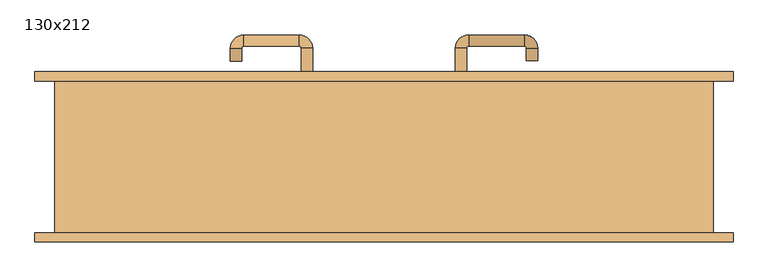
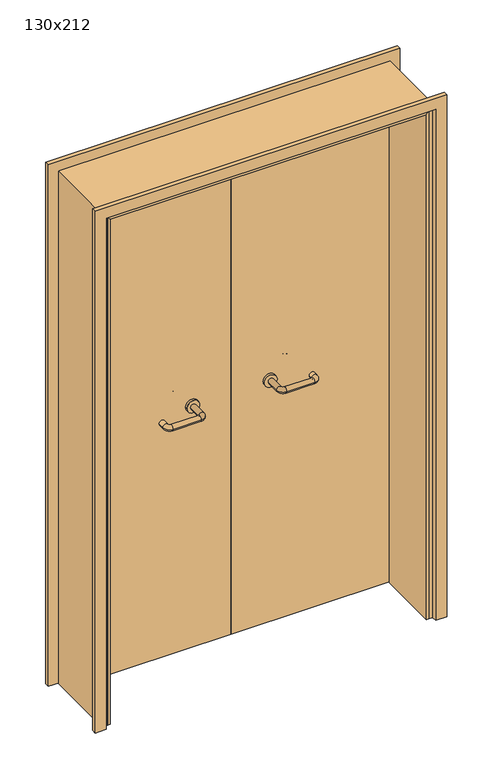
"""IFC4 building model written with IfcOpenShell, lengths in millimetres: door geometry, 130x212."""

from ifc_helpers import new_model, si_unit, point, frame, frame_2d, origin, place, context, project, spatial, polyline, circle_curve, ellipse_curve, trimmed, segment, composite_curve, outline, extrude, faceted_brep, source, transform, mapped, element, save
from ifc_brep_helpers import plane_surface, cylinder_surface, revolved_surface, advanced_brep


def door_130x212_32e1b532(model_context):
    return source(origin(), model_context, "Body", "SolidModel", [
        faceted_brep([(-620.0, 103.0, 0.0), (-620.0, -149.0, 0.0), (-630.0, -149.0, 0.0), (-630.0, 103.0, 0.0), (-620.0, 103.0, 2090.0), (-620.0, -149.0, 2090.0), (-630.0, -149.0, 2100.0), (-630.0, 103.0, 2100.0), (620.0, 103.0, 0.0), (630.0, 103.0, 0.0), (630.0, -149.0, 0.0), (620.0, -149.0, 0.0), (620.0, 103.0, 2090.0), (630.0, 103.0, 2100.0), (630.0, -149.0, 2100.0), (620.0, -149.0, 2090.0)], [[[0, 1, 2, 3]], [[1, 0, 4, 5]], [[2, 1, 5, 6]], [[3, 2, 6, 7]], [[0, 3, 7, 4]], [[8, 9, 10, 11]], [[12, 13, 9, 8]], [[13, 14, 10, 9]], [[14, 15, 11, 10]], [[15, 12, 8, 11]], [[5, 4, 12, 15]], [[6, 5, 15, 14]], [[7, 6, 14, 13]], [[4, 7, 13, 12]]]),
        extrude(outline(polyline([(2159.0, 689.0), (2159.0, -689.0), (0.0, -689.0), (0.0, -645.0), (2115.0, -645.0), (2115.0, 645.0), (0.0, 645.0), (0.0, 689.0), (2159.0, 689.0)])), frame((0.0, 150.0, 0.0), z_axis=(0.0, 1.0, 0.0), x_axis=(0.0, 0.0, 1.0)), (0.0, 0.0, 1.0), 18.0),
        extrude(outline(polyline([(2159.0, -689.0), (0.0, -689.0), (0.0, -645.0), (2115.0, -645.0), (2115.0, 645.0), (0.0, 645.0), (0.0, 689.0), (2159.0, 689.0), (2159.0, -689.0)])), frame((0.0, -168.0, 0.0), z_axis=(0.0, 1.0, 0.0), x_axis=(0.0, 0.0, 1.0)), (0.0, 0.0, 1.0), 18.0),
        extrude(outline(polyline([(2120.0, -650.0), (0.0, -650.0), (0.0, -630.0), (2100.0, -630.0), (2100.0, 630.0), (0.0, 630.0), (0.0, 650.0), (2120.0, 650.0), (2120.0, -650.0)])), frame((0.0, -149.0, 0.0), z_axis=(0.0, 1.0, 0.0), x_axis=(0.0, 0.0, 1.0)), (0.0, 0.0, 1.0), 299.0),
        advanced_brep(
        [(140.99898, 96.0, 1003.0), (162.99898, 96.0, 1003.0), (140.99898, 40.6474631, 1003.0), (162.99898, 40.6474631, 1003.0), (166.99898, 36.6474631, 1003.0), (166.99898, 14.6474631, 1003.0), (276.99898, 14.6474631, 1003.0), (276.99898, 36.6474631, 1003.0), (280.99898, 40.6474631, 1003.0), (302.99898, 40.6474631, 1003.0), (302.99898, 58.0, 1003.0), (280.99898, 58.0, 1003.0)],
        [
            (0, 1, circle_curve(frame((151.99898, 96.0, 1003.0), z_axis=(0.0, 1.0, 0.0), x_axis=(1.0, 0.0, 0.0)), 11.0)),
            (1, 0, circle_curve(frame((151.99898, 96.0, 1003.0), z_axis=(0.0, 1.0, 0.0), x_axis=(1.0, 0.0, 0.0)), 11.0)),
            (0, 2),
            (2, 3, circle_curve(frame((151.99898, 40.6474631, 1003.0), z_axis=(0.0, 1.0, 0.0), x_axis=(1.0, 0.0, 0.0)), 11.0)),
            (3, 1),
            (3, 2, circle_curve(frame((151.99898, 40.6474631, 1003.0), z_axis=(0.0, 1.0, 0.0), x_axis=(1.0, 0.0, 0.0)), 11.0)),
            (4, 3, circle_curve(frame((166.99898, 40.6474631, 1003.0), z_axis=(0.0, 0.0, -1.0), x_axis=(-1.0, 0.0, 0.0)), 4.0)),
            (2, 5, circle_curve(frame((166.99898, 40.6474631, 1003.0), z_axis=(0.0, 0.0, 1.0), x_axis=(-1.0, 0.0, 0.0)), 26.0)),
            (5, 4, circle_curve(frame((166.99898, 25.6474631, 1003.0), z_axis=(-1.0, 0.0, 0.0), x_axis=(0.0, 1.0, 0.0)), 11.0)),
            (4, 5, circle_curve(frame((166.99898, 25.6474631, 1003.0), z_axis=(-1.0, 0.0, 0.0), x_axis=(0.0, 1.0, 0.0)), 11.0)),
            (5, 6),
            (6, 7, circle_curve(frame((276.99898, 25.6474631, 1003.0), z_axis=(-1.0, 0.0, 0.0), x_axis=(0.0, 1.0, 0.0)), 11.0)),
            (7, 4),
            (7, 6, circle_curve(frame((276.99898, 25.6474631, 1003.0), z_axis=(-1.0, 0.0, 0.0), x_axis=(0.0, 1.0, 0.0)), 11.0)),
            (8, 7, circle_curve(frame((276.99898, 40.6474631, 1003.0), z_axis=(0.0, 0.0, -1.0), x_axis=(0.0, -1.0, 0.0)), 4.0)),
            (6, 9, circle_curve(frame((276.99898, 40.6474631, 1003.0), z_axis=(0.0, 0.0, 1.0), x_axis=(0.0, -1.0, 0.0)), 26.0)),
            (9, 8, circle_curve(frame((291.99898, 40.6474631, 1003.0), z_axis=(0.0, -1.0, 0.0), x_axis=(-1.0, 0.0, 0.0)), 11.0)),
            (8, 9, circle_curve(frame((291.99898, 40.6474631, 1003.0), z_axis=(0.0, -1.0, 0.0), x_axis=(-1.0, 0.0, 0.0)), 11.0)),
            (10, 11, circle_curve(frame((291.99898, 58.0, 1003.0), z_axis=(0.0, 1.0, 0.0), x_axis=(-1.0, 0.0, 0.0)), 11.0)),
            (11, 10, circle_curve(frame((291.99898, 58.0, 1003.0), z_axis=(0.0, 1.0, 0.0), x_axis=(-1.0, 0.0, 0.0)), 11.0)),
            (9, 10),
            (11, 8),
        ],
        [
            plane_surface(frame((140.99898, 96.0, 1003.0), z_axis=(0.0, 1.0, 0.0), x_axis=(0.0, 0.0, -1.0))),
            cylinder_surface(frame((151.99898, 96.0, 1003.0), z_axis=(0.0, 1.0, 0.0), x_axis=(1.0, 0.0, 0.0)), 11.0),
            revolved_surface(trimmed(ellipse_curve(frame((151.99898, 40.6474631, 1003.0), z_axis=(0.0, 1.0, 0.0), x_axis=(1.0, 0.0, 0.0)), 11.0, 11.0), [point((140.99898, 40.6474631, 1003.0))], [point((162.99898, 40.6474631, 1003.0))], True, "CARTESIAN"), (166.99898, 40.6474631, 1003.0), (0.0, 0.0, 1.0)),
            revolved_surface(trimmed(ellipse_curve(frame((151.99898, 40.6474631, 1003.0), z_axis=(0.0, 1.0, 0.0), x_axis=(1.0, 0.0, 0.0)), 11.0, 11.0), [point((162.99898, 40.6474631, 1003.0))], [point((140.99898, 40.6474631, 1003.0))], True, "CARTESIAN"), (166.99898, 40.6474631, 1003.0), (0.0, 0.0, 1.0)),
            cylinder_surface(frame((166.99898, 25.6474631, 1003.0), z_axis=(-1.0, 0.0, 0.0), x_axis=(0.0, 1.0, 0.0)), 11.0),
            revolved_surface(trimmed(ellipse_curve(frame((276.99898, 25.6474631, 1003.0), z_axis=(-1.0, 0.0, 0.0), x_axis=(0.0, 1.0, 0.0)), 11.0, 11.0), [point((276.99898, 14.6474631, 1003.0))], [point((276.99898, 36.6474631, 1003.0))], True, "CARTESIAN"), (276.99898, 40.6474631, 1003.0), (0.0, 0.0, 1.0)),
            revolved_surface(trimmed(ellipse_curve(frame((276.99898, 25.6474631, 1003.0), z_axis=(-1.0, 0.0, 0.0), x_axis=(0.0, 1.0, 0.0)), 11.0, 11.0), [point((276.99898, 36.6474631, 1003.0))], [point((276.99898, 14.6474631, 1003.0))], True, "CARTESIAN"), (276.99898, 40.6474631, 1003.0), (0.0, 0.0, 1.0)),
            plane_surface(frame((280.99898, 58.0, 1003.0), z_axis=(0.0, 1.0, 0.0), x_axis=(0.0, 0.0, 1.0))),
            cylinder_surface(frame((291.99898, 40.6474631, 1003.0), z_axis=(0.0, -1.0, 0.0), x_axis=(-1.0, 0.0, 0.0)), 11.0),
        ],
        [
            (0, [[1, 2]]),
            (1, [[-1, 3, 4, 5]]),
            (1, [[-2, -5, 6, -3]]),
            (2, [[7, -4, 8, 9]]),
            (3, [[-8, -6, -7, 10]]),
            (4, [[-9, 11, 12, 13]]),
            (4, [[-10, -13, 14, -11]]),
            (5, [[15, -12, 16, 17]]),
            (6, [[-16, -14, -15, 18]]),
            (7, [[19, 20]]),
            (8, [[-17, 21, -20, 22]]),
            (8, [[-18, -22, -19, -21]]),
        ],
    ),
        extrude(outline(composite_curve([segment(trimmed(circle_curve(frame_2d((1003.0, 151.99898)), 25.0), [point((1003.0, 126.99898))], [point((1003.0, 176.99898))], False, "CARTESIAN"), True, "CONTINUOUS"), segment(trimmed(circle_curve(frame_2d((1003.0, 151.99898)), 25.0), [point((1003.0, 176.99898))], [point((1003.0, 126.99898))], False, "CARTESIAN"), True, "CONTINUOUS")], self_intersect=False)), frame((0.0, 96.0, 0.0), z_axis=(0.0, 1.0, 0.0), x_axis=(0.0, 0.0, 1.0)), (0.0, 0.0, 1.0), 10.0),
        advanced_brep(
        [(162.99898, 160.0, 1003.0), (140.99898, 160.0, 1003.0), (162.99898, 215.0, 1003.0), (140.99898, 215.0, 1003.0), (166.99898, 241.0, 1003.0), (166.99898, 219.0, 1003.0), (276.99898, 219.0, 1003.0), (276.99898, 241.0, 1003.0), (302.99898, 215.0, 1003.0), (280.99898, 215.0, 1003.0), (280.99898, 190.0, 1003.0), (302.99898, 190.0, 1003.0)],
        [
            (0, 1, circle_curve(frame((151.99898, 160.0, 1003.0), z_axis=(0.0, -1.0, 0.0), x_axis=(-1.0, 0.0, 0.0)), 11.0)),
            (1, 0, circle_curve(frame((151.99898, 160.0, 1003.0), z_axis=(0.0, -1.0, 0.0), x_axis=(-1.0, 0.0, 0.0)), 11.0)),
            (0, 2),
            (2, 3, circle_curve(frame((151.99898, 215.0, 1003.0), z_axis=(0.0, -1.0, 0.0), x_axis=(-1.0, 0.0, 0.0)), 11.0)),
            (3, 1),
            (3, 2, circle_curve(frame((151.99898, 215.0, 1003.0), z_axis=(0.0, -1.0, 0.0), x_axis=(-1.0, 0.0, 0.0)), 11.0)),
            (4, 3, circle_curve(frame((166.99898, 215.0, 1003.0), z_axis=(0.0, 0.0, 1.0), x_axis=(-1.0, 0.0, 0.0)), 26.0)),
            (2, 5, circle_curve(frame((166.99898, 215.0, 1003.0), z_axis=(0.0, 0.0, -1.0), x_axis=(-1.0, 0.0, 0.0)), 4.0)),
            (5, 4, circle_curve(frame((166.99898, 230.0, 1003.0), z_axis=(-1.0, 0.0, 0.0), x_axis=(0.0, 1.0, 0.0)), 11.0)),
            (4, 5, circle_curve(frame((166.99898, 230.0, 1003.0), z_axis=(-1.0, 0.0, 0.0), x_axis=(0.0, 1.0, 0.0)), 11.0)),
            (5, 6),
            (6, 7, circle_curve(frame((276.99898, 230.0, 1003.0), z_axis=(-1.0, 0.0, 0.0), x_axis=(0.0, 1.0, 0.0)), 11.0)),
            (7, 4),
            (7, 6, circle_curve(frame((276.99898, 230.0, 1003.0), z_axis=(-1.0, 0.0, 0.0), x_axis=(0.0, 1.0, 0.0)), 11.0)),
            (8, 7, circle_curve(frame((276.99898, 215.0, 1003.0), z_axis=(0.0, 0.0, 1.0), x_axis=(0.0, 1.0, 0.0)), 26.0)),
            (6, 9, circle_curve(frame((276.99898, 215.0, 1003.0), z_axis=(0.0, 0.0, -1.0), x_axis=(0.0, 1.0, 0.0)), 4.0)),
            (9, 8, circle_curve(frame((291.99898, 215.0, 1003.0), z_axis=(0.0, 1.0, 0.0), x_axis=(1.0, 0.0, 0.0)), 11.0)),
            (8, 9, circle_curve(frame((291.99898, 215.0, 1003.0), z_axis=(0.0, 1.0, 0.0), x_axis=(1.0, 0.0, 0.0)), 11.0)),
            (10, 11, circle_curve(frame((291.99898, 190.0, 1003.0), z_axis=(0.0, -1.0, 0.0), x_axis=(1.0, 0.0, 0.0)), 11.0)),
            (11, 10, circle_curve(frame((291.99898, 190.0, 1003.0), z_axis=(0.0, -1.0, 0.0), x_axis=(1.0, 0.0, 0.0)), 11.0)),
            (9, 10),
            (11, 8),
        ],
        [
            plane_surface(frame((140.99898, 160.0, 1003.0), z_axis=(0.0, -1.0, 0.0), x_axis=(0.0, 0.0, 1.0))),
            cylinder_surface(frame((151.99898, 160.0, 1003.0), z_axis=(0.0, -1.0, 0.0), x_axis=(-1.0, 0.0, 0.0)), 11.0),
            revolved_surface(trimmed(ellipse_curve(frame((151.99898, 215.0, 1003.0), z_axis=(0.0, -1.0, 0.0), x_axis=(-1.0, 0.0, 0.0)), 11.0, 11.0), [point((162.99898, 215.0, 1003.0))], [point((140.99898, 215.0, 1003.0))], True, "CARTESIAN"), (166.99898, 215.0, 1003.0), (0.0, 0.0, -1.0)),
            revolved_surface(trimmed(ellipse_curve(frame((151.99898, 215.0, 1003.0), z_axis=(0.0, -1.0, 0.0), x_axis=(-1.0, 0.0, 0.0)), 11.0, 11.0), [point((140.99898, 215.0, 1003.0))], [point((162.99898, 215.0, 1003.0))], True, "CARTESIAN"), (166.99898, 215.0, 1003.0), (0.0, 0.0, -1.0)),
            cylinder_surface(frame((166.99898, 230.0, 1003.0), z_axis=(-1.0, 0.0, 0.0), x_axis=(0.0, 1.0, 0.0)), 11.0),
            revolved_surface(trimmed(ellipse_curve(frame((276.99898, 230.0, 1003.0), z_axis=(-1.0, 0.0, 0.0), x_axis=(0.0, 1.0, 0.0)), 11.0, 11.0), [point((276.99898, 219.0, 1003.0))], [point((276.99898, 241.0, 1003.0))], True, "CARTESIAN"), (276.99898, 215.0, 1003.0), (0.0, 0.0, -1.0)),
            revolved_surface(trimmed(ellipse_curve(frame((276.99898, 230.0, 1003.0), z_axis=(-1.0, 0.0, 0.0), x_axis=(0.0, 1.0, 0.0)), 11.0, 11.0), [point((276.99898, 241.0, 1003.0))], [point((276.99898, 219.0, 1003.0))], True, "CARTESIAN"), (276.99898, 215.0, 1003.0), (0.0, 0.0, -1.0)),
            plane_surface(frame((280.99898, 190.0, 1003.0), z_axis=(0.0, -1.0, 0.0), x_axis=(0.0, 0.0, -1.0))),
            cylinder_surface(frame((291.99898, 215.0, 1003.0), z_axis=(0.0, 1.0, 0.0), x_axis=(1.0, 0.0, 0.0)), 11.0),
        ],
        [
            (0, [[1, 2]]),
            (1, [[-1, 3, 4, 5]]),
            (1, [[-2, -5, 6, -3]]),
            (2, [[7, -4, 8, 9]]),
            (3, [[-8, -6, -7, 10]]),
            (4, [[-9, 11, 12, 13]]),
            (4, [[-10, -13, 14, -11]]),
            (5, [[15, -12, 16, 17]]),
            (6, [[-16, -14, -15, 18]]),
            (7, [[19, 20]]),
            (8, [[-17, 21, -20, 22]]),
            (8, [[-18, -22, -19, -21]]),
        ],
    ),
        extrude(outline(composite_curve([segment(trimmed(circle_curve(frame_2d((1003.0, 151.99898)), 25.0), [point((1003.0, 176.99898))], [point((1003.0, 126.99898))], False, "CARTESIAN"), True, "CONTINUOUS"), segment(trimmed(circle_curve(frame_2d((1003.0, 151.99898)), 25.0), [point((1003.0, 126.99898))], [point((1003.0, 176.99898))], False, "CARTESIAN"), True, "CONTINUOUS")], self_intersect=False)), frame((0.0, 150.0, 0.0), z_axis=(0.0, 1.0, 0.0), x_axis=(0.0, 0.0, 1.0)), (0.0, 0.0, 1.0), 10.0),
        advanced_brep(
        [(-162.99898, 95.6886121, 1003.0), (-140.99898, 95.6886121, 1003.0), (-162.99898, 40.2779553, 1003.0), (-140.99898, 40.2779553, 1003.0), (-166.99898, 14.2779553, 1003.0), (-166.99898, 36.2779553, 1003.0), (-276.99898, 36.2779553, 1003.0), (-276.99898, 14.2779553, 1003.0), (-302.99898, 40.2779553, 1003.0), (-280.99898, 40.2779553, 1003.0), (-280.99898, 65.2779553, 1003.0), (-302.99898, 65.2779553, 1003.0)],
        [
            (0, 1, circle_curve(frame((-151.99898, 95.6886121, 1003.0), z_axis=(0.0, 1.0, 0.0), x_axis=(1.0, 0.0, 0.0)), 11.0)),
            (1, 0, circle_curve(frame((-151.99898, 95.6886121, 1003.0), z_axis=(0.0, 1.0, 0.0), x_axis=(1.0, 0.0, 0.0)), 11.0)),
            (0, 2),
            (2, 3, circle_curve(frame((-151.99898, 40.2779553, 1003.0), z_axis=(0.0, 1.0, 0.0), x_axis=(1.0, 0.0, 0.0)), 11.0)),
            (3, 1),
            (3, 2, circle_curve(frame((-151.99898, 40.2779553, 1003.0), z_axis=(0.0, 1.0, 0.0), x_axis=(1.0, 0.0, 0.0)), 11.0)),
            (4, 3, circle_curve(frame((-166.99898, 40.2779553, 1003.0), z_axis=(0.0, 0.0, 1.0), x_axis=(1.0, 0.0, 0.0)), 26.0)),
            (2, 5, circle_curve(frame((-166.99898, 40.2779553, 1003.0), z_axis=(0.0, 0.0, -1.0), x_axis=(1.0, 0.0, 0.0)), 4.0)),
            (5, 4, circle_curve(frame((-166.99898, 25.2779553, 1003.0), z_axis=(1.0, 0.0, 0.0), x_axis=(0.0, -1.0, 0.0)), 11.0)),
            (4, 5, circle_curve(frame((-166.99898, 25.2779553, 1003.0), z_axis=(1.0, 0.0, 0.0), x_axis=(0.0, -1.0, 0.0)), 11.0)),
            (5, 6),
            (6, 7, circle_curve(frame((-276.99898, 25.2779553, 1003.0), z_axis=(1.0, 0.0, 0.0), x_axis=(0.0, -1.0, 0.0)), 11.0)),
            (7, 4),
            (7, 6, circle_curve(frame((-276.99898, 25.2779553, 1003.0), z_axis=(1.0, 0.0, 0.0), x_axis=(0.0, -1.0, 0.0)), 11.0)),
            (8, 7, circle_curve(frame((-276.99898, 40.2779553, 1003.0), z_axis=(0.0, 0.0, 1.0), x_axis=(0.0, -1.0, 0.0)), 26.0)),
            (6, 9, circle_curve(frame((-276.99898, 40.2779553, 1003.0), z_axis=(0.0, 0.0, -1.0), x_axis=(0.0, -1.0, 0.0)), 4.0)),
            (9, 8, circle_curve(frame((-291.99898, 40.2779553, 1003.0), z_axis=(0.0, -1.0, 0.0), x_axis=(-1.0, 0.0, 0.0)), 11.0)),
            (8, 9, circle_curve(frame((-291.99898, 40.2779553, 1003.0), z_axis=(0.0, -1.0, 0.0), x_axis=(-1.0, 0.0, 0.0)), 11.0)),
            (10, 11, circle_curve(frame((-291.99898, 65.2779553, 1003.0), z_axis=(0.0, 1.0, 0.0), x_axis=(-1.0, 0.0, 0.0)), 11.0)),
            (11, 10, circle_curve(frame((-291.99898, 65.2779553, 1003.0), z_axis=(0.0, 1.0, 0.0), x_axis=(-1.0, 0.0, 0.0)), 11.0)),
            (9, 10),
            (11, 8),
        ],
        [
            plane_surface(frame((-162.99898, 95.6886121, 1003.0), z_axis=(0.0, 1.0, 0.0), x_axis=(0.0, 0.0, -1.0))),
            cylinder_surface(frame((-151.99898, 95.6886121, 1003.0), z_axis=(0.0, 1.0, 0.0), x_axis=(1.0, 0.0, 0.0)), 11.0),
            revolved_surface(trimmed(ellipse_curve(frame((-151.99898, 40.2779553, 1003.0), z_axis=(0.0, 1.0, 0.0), x_axis=(1.0, 0.0, 0.0)), 11.0, 11.0), [point((-162.99898, 40.2779553, 1003.0))], [point((-140.99898, 40.2779553, 1003.0))], True, "CARTESIAN"), (-166.99898, 40.2779553, 1003.0), (0.0, 0.0, -1.0)),
            revolved_surface(trimmed(ellipse_curve(frame((-151.99898, 40.2779553, 1003.0), z_axis=(0.0, 1.0, 0.0), x_axis=(1.0, 0.0, 0.0)), 11.0, 11.0), [point((-140.99898, 40.2779553, 1003.0))], [point((-162.99898, 40.2779553, 1003.0))], True, "CARTESIAN"), (-166.99898, 40.2779553, 1003.0), (0.0, 0.0, -1.0)),
            cylinder_surface(frame((-166.99898, 25.2779553, 1003.0), z_axis=(1.0, 0.0, 0.0), x_axis=(0.0, -1.0, 0.0)), 11.0),
            revolved_surface(trimmed(ellipse_curve(frame((-276.99898, 25.2779553, 1003.0), z_axis=(1.0, 0.0, 0.0), x_axis=(0.0, -1.0, 0.0)), 11.0, 11.0), [point((-276.99898, 36.2779553, 1003.0))], [point((-276.99898, 14.2779553, 1003.0))], True, "CARTESIAN"), (-276.99898, 40.2779553, 1003.0), (0.0, 0.0, -1.0)),
            revolved_surface(trimmed(ellipse_curve(frame((-276.99898, 25.2779553, 1003.0), z_axis=(1.0, 0.0, 0.0), x_axis=(0.0, -1.0, 0.0)), 11.0, 11.0), [point((-276.99898, 14.2779553, 1003.0))], [point((-276.99898, 36.2779553, 1003.0))], True, "CARTESIAN"), (-276.99898, 40.2779553, 1003.0), (0.0, 0.0, -1.0)),
            plane_surface(frame((-302.99898, 65.2779553, 1003.0), z_axis=(0.0, 1.0, 0.0), x_axis=(0.0, 0.0, 1.0))),
            cylinder_surface(frame((-291.99898, 40.2779553, 1003.0), z_axis=(0.0, -1.0, 0.0), x_axis=(-1.0, 0.0, 0.0)), 11.0),
        ],
        [
            (0, [[1, 2]]),
            (1, [[-1, 3, 4, 5]]),
            (1, [[-2, -5, 6, -3]]),
            (2, [[7, -4, 8, 9]]),
            (3, [[-8, -6, -7, 10]]),
            (4, [[-9, 11, 12, 13]]),
            (4, [[-10, -13, 14, -11]]),
            (5, [[15, -12, 16, 17]]),
            (6, [[-16, -14, -15, 18]]),
            (7, [[19, 20]]),
            (8, [[-17, 21, -20, 22]]),
            (8, [[-18, -22, -19, -21]]),
        ],
    ),
        extrude(outline(composite_curve([segment(trimmed(circle_curve(frame_2d((1003.0, -151.99898)), 25.0), [point((1003.0, -176.99898))], [point((1003.0, -126.99898))], False, "CARTESIAN"), True, "CONTINUOUS"), segment(trimmed(circle_curve(frame_2d((1003.0, -151.99898)), 25.0), [point((1003.0, -126.99898))], [point((1003.0, -176.99898))], False, "CARTESIAN"), True, "CONTINUOUS")], self_intersect=False)), frame((0.0, 95.6886121, 0.0), z_axis=(0.0, 1.0, 0.0), x_axis=(0.0, 0.0, 1.0)), (0.0, 0.0, 1.0), 10.3113879),
        advanced_brep(
        [(-140.99898, 159.5143417, 1003.0), (-162.99898, 159.5143417, 1003.0), (-140.99898, 214.6104656, 1003.0), (-162.99898, 214.6104656, 1003.0), (-166.99898, 218.6104656, 1003.0), (-166.99898, 240.6104656, 1003.0), (-276.99898, 240.6104656, 1003.0), (-276.99898, 218.6104656, 1003.0), (-280.99898, 214.6104656, 1003.0), (-302.99898, 214.6104656, 1003.0), (-302.99898, 189.6104656, 1003.0), (-280.99898, 189.6104656, 1003.0)],
        [
            (0, 1, circle_curve(frame((-151.99898, 159.5143417, 1003.0), z_axis=(0.0, -1.0, 0.0), x_axis=(-1.0, 0.0, 0.0)), 11.0)),
            (1, 0, circle_curve(frame((-151.99898, 159.5143417, 1003.0), z_axis=(0.0, -1.0, 0.0), x_axis=(-1.0, 0.0, 0.0)), 11.0)),
            (0, 2),
            (2, 3, circle_curve(frame((-151.99898, 214.6104656, 1003.0), z_axis=(0.0, -1.0, 0.0), x_axis=(-1.0, 0.0, 0.0)), 11.0)),
            (3, 1),
            (3, 2, circle_curve(frame((-151.99898, 214.6104656, 1003.0), z_axis=(0.0, -1.0, 0.0), x_axis=(-1.0, 0.0, 0.0)), 11.0)),
            (4, 3, circle_curve(frame((-166.99898, 214.6104656, 1003.0), z_axis=(0.0, 0.0, -1.0), x_axis=(1.0, 0.0, 0.0)), 4.0)),
            (2, 5, circle_curve(frame((-166.99898, 214.6104656, 1003.0), z_axis=(0.0, 0.0, 1.0), x_axis=(1.0, 0.0, 0.0)), 26.0)),
            (5, 4, circle_curve(frame((-166.99898, 229.6104656, 1003.0), z_axis=(1.0, 0.0, 0.0), x_axis=(0.0, -1.0, 0.0)), 11.0)),
            (4, 5, circle_curve(frame((-166.99898, 229.6104656, 1003.0), z_axis=(1.0, 0.0, 0.0), x_axis=(0.0, -1.0, 0.0)), 11.0)),
            (5, 6),
            (6, 7, circle_curve(frame((-276.99898, 229.6104656, 1003.0), z_axis=(1.0, 0.0, 0.0), x_axis=(0.0, -1.0, 0.0)), 11.0)),
            (7, 4),
            (7, 6, circle_curve(frame((-276.99898, 229.6104656, 1003.0), z_axis=(1.0, 0.0, 0.0), x_axis=(0.0, -1.0, 0.0)), 11.0)),
            (8, 7, circle_curve(frame((-276.99898, 214.6104656, 1003.0), z_axis=(0.0, 0.0, -1.0), x_axis=(0.0, 1.0, 0.0)), 4.0)),
            (6, 9, circle_curve(frame((-276.99898, 214.6104656, 1003.0), z_axis=(0.0, 0.0, 1.0), x_axis=(0.0, 1.0, 0.0)), 26.0)),
            (9, 8, circle_curve(frame((-291.99898, 214.6104656, 1003.0), z_axis=(0.0, 1.0, 0.0), x_axis=(1.0, 0.0, 0.0)), 11.0)),
            (8, 9, circle_curve(frame((-291.99898, 214.6104656, 1003.0), z_axis=(0.0, 1.0, 0.0), x_axis=(1.0, 0.0, 0.0)), 11.0)),
            (10, 11, circle_curve(frame((-291.99898, 189.6104656, 1003.0), z_axis=(0.0, -1.0, 0.0), x_axis=(1.0, 0.0, 0.0)), 11.0)),
            (11, 10, circle_curve(frame((-291.99898, 189.6104656, 1003.0), z_axis=(0.0, -1.0, 0.0), x_axis=(1.0, 0.0, 0.0)), 11.0)),
            (9, 10),
            (11, 8),
        ],
        [
            plane_surface(frame((-162.99898, 159.5143417, 1003.0), z_axis=(0.0, -1.0, 0.0), x_axis=(0.0, 0.0, 1.0))),
            cylinder_surface(frame((-151.99898, 159.5143417, 1003.0), z_axis=(0.0, -1.0, 0.0), x_axis=(-1.0, 0.0, 0.0)), 11.0),
            revolved_surface(trimmed(ellipse_curve(frame((-151.99898, 214.6104656, 1003.0), z_axis=(0.0, -1.0, 0.0), x_axis=(-1.0, 0.0, 0.0)), 11.0, 11.0), [point((-140.99898, 214.6104656, 1003.0))], [point((-162.99898, 214.6104656, 1003.0))], True, "CARTESIAN"), (-166.99898, 214.6104656, 1003.0), (0.0, 0.0, 1.0)),
            revolved_surface(trimmed(ellipse_curve(frame((-151.99898, 214.6104656, 1003.0), z_axis=(0.0, -1.0, 0.0), x_axis=(-1.0, 0.0, 0.0)), 11.0, 11.0), [point((-162.99898, 214.6104656, 1003.0))], [point((-140.99898, 214.6104656, 1003.0))], True, "CARTESIAN"), (-166.99898, 214.6104656, 1003.0), (0.0, 0.0, 1.0)),
            cylinder_surface(frame((-166.99898, 229.6104656, 1003.0), z_axis=(1.0, 0.0, 0.0), x_axis=(0.0, -1.0, 0.0)), 11.0),
            revolved_surface(trimmed(ellipse_curve(frame((-276.99898, 229.6104656, 1003.0), z_axis=(1.0, 0.0, 0.0), x_axis=(0.0, -1.0, 0.0)), 11.0, 11.0), [point((-276.99898, 240.6104656, 1003.0))], [point((-276.99898, 218.6104656, 1003.0))], True, "CARTESIAN"), (-276.99898, 214.6104656, 1003.0), (0.0, 0.0, 1.0)),
            revolved_surface(trimmed(ellipse_curve(frame((-276.99898, 229.6104656, 1003.0), z_axis=(1.0, 0.0, 0.0), x_axis=(0.0, -1.0, 0.0)), 11.0, 11.0), [point((-276.99898, 218.6104656, 1003.0))], [point((-276.99898, 240.6104656, 1003.0))], True, "CARTESIAN"), (-276.99898, 214.6104656, 1003.0), (0.0, 0.0, 1.0)),
            plane_surface(frame((-302.99898, 189.6104656, 1003.0), z_axis=(0.0, -1.0, 0.0), x_axis=(0.0, 0.0, -1.0))),
            cylinder_surface(frame((-291.99898, 214.6104656, 1003.0), z_axis=(0.0, 1.0, 0.0), x_axis=(1.0, 0.0, 0.0)), 11.0),
        ],
        [
            (0, [[1, 2]]),
            (1, [[-1, 3, 4, 5]]),
            (1, [[-2, -5, 6, -3]]),
            (2, [[7, -4, 8, 9]]),
            (3, [[-8, -6, -7, 10]]),
            (4, [[-9, 11, 12, 13]]),
            (4, [[-10, -13, 14, -11]]),
            (5, [[15, -12, 16, 17]]),
            (6, [[-16, -14, -15, 18]]),
            (7, [[19, 20]]),
            (8, [[-17, 21, -20, 22]]),
            (8, [[-18, -22, -19, -21]]),
        ],
    ),
        extrude(outline(composite_curve([segment(trimmed(circle_curve(frame_2d((1003.0, -151.99898)), 25.0), [point((1003.0, -126.99898))], [point((1003.0, -176.99898))], False, "CARTESIAN"), True, "CONTINUOUS"), segment(trimmed(circle_curve(frame_2d((1003.0, -151.99898)), 25.0), [point((1003.0, -176.99898))], [point((1003.0, -126.99898))], False, "CARTESIAN"), True, "CONTINUOUS")], self_intersect=False)), frame((0.0, 150.0, 0.0), z_axis=(0.0, 1.0, 0.0), x_axis=(0.0, 0.0, 1.0)), (0.0, 0.0, 1.0), 9.5143417),
        extrude(outline(polyline([(1.0739506, 106.0), (-627.0, 106.0), (-627.0, 150.0), (1.0739506, 150.0), (1.0739506, 106.0)])), frame((0.0, 0.0, 1.753223), z_axis=(0.0, 0.0, 1.0), x_axis=(1.0, 0.0, 0.0)), (0.0, 0.0, 1.0), 2098.246777),
        extrude(outline(polyline([(627.0, 106.0), (1.0739506, 106.0), (1.0739506, 150.0), (627.0, 150.0), (627.0, 106.0)])), frame((0.0, 0.0, 1.753223), z_axis=(0.0, 0.0, 1.0), x_axis=(1.0, 0.0, 0.0)), (0.0, 0.0, 1.0), 2098.246777),
    ])


if __name__ == "__main__":
    model = new_model("IFC4")
    model_context = context("Model", 3, world=origin())
    ifc_project = project(units=[si_unit("LENGTHUNIT", "METRE", prefix="MILLI")], contexts=[model_context])
    site = spatial("IfcSite", under=ifc_project)
    building = spatial("IfcBuilding", under=site)
    placement = place(None, origin())
    door_130x212_shape = door_130x212_32e1b532(model_context)
    element("IfcDoor", 1, ObjectType="130x212", at=placement, inside=building, context=model_context, shape_type="MappedRepresentation", body=[
        mapped(door_130x212_shape, transform((0.0, 0.0, 0.0), x_axis=(1.0, 0.0, 0.0), y_axis=(0.0, 1.0, 0.0), z_axis=(0.0, 0.0, 1.0))),
    ])
    save(model, "model.ifc")
